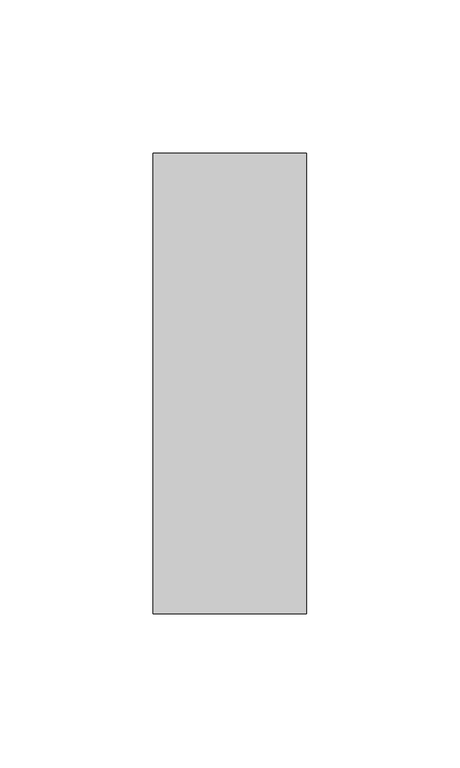
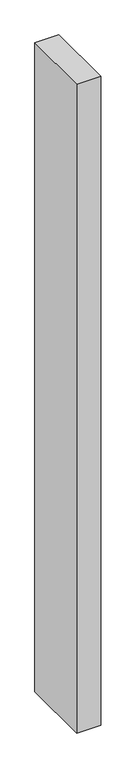
"""IFC4 building model written with IfcOpenShell, lengths in millimetres: member geometry."""

import ifcopenshell
import ifcopenshell.guid

model = None  # the IFC model being written
_history = None  # IfcOwnerHistory: only IFC2X3 demands one
_inside = {}  # id of a spatial element -> (the spatial element, [elements in it])
_under = {}  # id of a project, library or spatial element -> (it, [spatial elements below it])
_declared = {}  # id of a project -> (the project, [libraries it declares])
_typed = {}  # id of a type object -> (the type object, [elements of that type])
_made_of = {}  # id of a material, layer set ... -> (it, [elements and type objects made of it])


def new_model(schema):
    """Start an empty IFC model of exactly this schema.

    Asked for "IFC4X3", IfcOpenShell would pick the latest addendum, in which some entities
    have other attributes; the version numbers below select the first issue.
    IFC2X3 requires an IfcOwnerHistory on every rooted entity: one is made here for all.
    """
    global model, _history
    if schema == "IFC4X3":
        model = ifcopenshell.file(schema_version=(4, 3, 0, 0))
    else:
        model = ifcopenshell.file(schema=schema)
    _inside.clear()
    _under.clear()
    _declared.clear()
    _typed.clear()
    _made_of.clear()
    _history = None
    if model.schema == "IFC2X3":
        org = make("IfcOrganization", Name="unknown")
        user = make(
            "IfcPersonAndOrganization",
            ThePerson=make("IfcPerson", FamilyName="unknown"),
            TheOrganization=org,
        )
        app = make(
            "IfcApplication",
            ApplicationDeveloper=org,
            Version="unknown",
            ApplicationFullName="unknown",
            ApplicationIdentifier="unknown",
        )
        _history = make(
            "IfcOwnerHistory",
            OwningUser=user,
            OwningApplication=app,
            ChangeAction="ADDED",
            CreationDate=0,
        )
    return model


def make(cls, **values):
    """One entity of the class cls with the attributes given. An attribute that is None is left unset."""
    return model.create_entity(
        cls, **{name: value for name, value in values.items() if value is not None}
    )


def rooted(cls, **values):
    """An entity with a GlobalId (a new one), such as an element, a storey or a relation."""
    return make(cls, GlobalId=ifcopenshell.guid.new(), OwnerHistory=_history, **values)


def si_unit(unit_type, name, prefix=None):
    """IfcSIUnit, for example si_unit("LENGTHUNIT", "METRE", prefix="MILLI")."""
    return make("IfcSIUnit", UnitType=unit_type, Prefix=prefix, Name=name)


def assignment(units):
    """IfcUnitAssignment: the units of a project."""
    return None if units is None else make("IfcUnitAssignment", Units=units)


def point(xyz):
    """IfcCartesianPoint."""
    return None if xyz is None else make("IfcCartesianPoint", Coordinates=xyz)


def direction(xyz):
    """IfcDirection."""
    return None if xyz is None else make("IfcDirection", DirectionRatios=xyz)


def frame(location, z_axis=None, x_axis=None):
    """IfcAxis2Placement3D, a coordinate frame: its origin and axes. An axis left out is left unset."""
    return make(
        "IfcAxis2Placement3D",
        Location=point(location),
        Axis=direction(z_axis),
        RefDirection=direction(x_axis),
    )


def origin():
    """The frame at (0, 0, 0) with its axes left unset."""
    return frame((0.0, 0.0, 0.0))


def place(relative_to, where):
    """IfcLocalPlacement: puts the frame where relative to a parent placement (None: the world)."""
    return make(
        "IfcLocalPlacement", PlacementRelTo=relative_to, RelativePlacement=where
    )


def context(
    kind, dimensions, precision=None, world=None, true_north=None, identifier=None
):
    """IfcGeometricRepresentationContext, for example the 3D "Model" context."""
    return make(
        "IfcGeometricRepresentationContext",
        ContextIdentifier=identifier,
        ContextType=kind,
        CoordinateSpaceDimension=dimensions,
        Precision=precision,
        WorldCoordinateSystem=world,
        TrueNorth=true_north,
    )


def project(units=None, contexts=None):
    """IfcProject with its units and contexts."""
    return rooted(
        "IfcProject",
        Name="project",
        RepresentationContexts=contexts,
        UnitsInContext=assignment(units),
    )


def spatial(cls, under=None, at=None, **own):
    """A site, building, storey or space (cls), placed at a placement, below another one or the project."""
    s = rooted(cls, ObjectPlacement=at, **own)
    if under is not None:
        _under.setdefault(under.id(), (under, []))[1].append(s)
    return s


def polyline(points):
    """IfcPolyline through the points."""
    return make("IfcPolyline", Points=[point(p) for p in points])


def outline(outer, holes=None, kind="AREA"):
    """IfcArbitraryClosedProfileDef: a profile drawn as a closed curve; with holes, ...WithVoids."""
    if holes is None:
        return make("IfcArbitraryClosedProfileDef", ProfileType=kind, OuterCurve=outer)
    return make(
        "IfcArbitraryProfileDefWithVoids",
        ProfileType=kind,
        OuterCurve=outer,
        InnerCurves=holes,
    )


def extrude(swept, where, along, depth):
    """IfcExtrudedAreaSolid: the profile swept, set in the frame where, extruded along a direction by depth."""
    return make(
        "IfcExtrudedAreaSolid",
        SweptArea=swept,
        Position=where,
        ExtrudedDirection=direction(along),
        Depth=depth,
    )


def shape(context_of_items, identifier, shape_type, items):
    """IfcShapeRepresentation: the items that make up one representation, for example the "Body"."""
    return make(
        "IfcShapeRepresentation",
        ContextOfItems=context_of_items,
        RepresentationIdentifier=identifier,
        RepresentationType=shape_type,
        Items=items,
    )


def source(mapping_origin, context_of_items, identifier, shape_type, items):
    """IfcRepresentationMap: a shape defined once, which mapped items show again and again."""
    return make(
        "IfcRepresentationMap",
        MappingOrigin=mapping_origin,
        MappedRepresentation=shape(context_of_items, identifier, shape_type, items),
    )


def transform(
    local_origin,
    x_axis=None,
    y_axis=None,
    z_axis=None,
    scale=None,
    scale2=None,
    scale3=None,
    uniform=True,
):
    """IfcCartesianTransformationOperator3D, or its non-uniform kind. x_axis, y_axis, z_axis: its Axis1, 2, 3."""
    if uniform:
        return make(
            "IfcCartesianTransformationOperator3D",
            Axis1=direction(x_axis),
            Axis2=direction(y_axis),
            LocalOrigin=point(local_origin),
            Scale=scale,
            Axis3=direction(z_axis),
        )
    return make(
        "IfcCartesianTransformationOperator3DnonUniform",
        Axis1=direction(x_axis),
        Axis2=direction(y_axis),
        LocalOrigin=point(local_origin),
        Scale=scale,
        Axis3=direction(z_axis),
        Scale2=scale2,
        Scale3=scale3,
    )


def mapped(mapping_source, mapping_target):
    """IfcMappedItem: shows the shape of a source again, moved by a transform."""
    return make(
        "IfcMappedItem", MappingSource=mapping_source, MappingTarget=mapping_target
    )


def made_of(thing, what):
    """Note that an element or type object is made of a material, layer set ...; save() writes the relation."""
    if what is not None:
        _made_of.setdefault(what.id(), (what, []))[1].append(thing)
    return thing


def element(
    cls,
    number,
    at=None,
    inside=None,
    cuts=None,
    type_object=None,
    material=None,
    context=None,
    identifier="Body",
    shape_type=None,
    held_by="IfcProductDefinitionShape",
    body=None,
    shapes=None,
    **own,
):
    """One element of the class cls, such as IfcWall. Its Tag is "e" and its number.

    at: its placement. inside: the storey or other place that contains it. cuts: it is an
    opening in that element (IfcRelVoidsElement). A single representation is given by context,
    identifier, shape_type and body (its items); several are given by shapes. held_by: the class
    of the entity that holds the representations. save() writes the other relations.
    """
    e = rooted(cls, Tag="e%d" % number, ObjectPlacement=at, **own)
    if body is not None:
        shapes = [shape(context, identifier, shape_type, body)]
    if shapes is not None:
        e.Representation = make(held_by, Representations=shapes)
    if inside is not None:
        _inside.setdefault(inside.id(), (inside, []))[1].append(e)
    if cuts is not None:
        rooted(
            "IfcRelVoidsElement", RelatingBuildingElement=cuts, RelatedOpeningElement=e
        )
    if type_object is not None:
        _typed.setdefault(type_object.id(), (type_object, []))[1].append(e)
    return made_of(e, material)


def aggregate(whole, parts):
    """IfcRelAggregates: a whole, such as a stair, and the parts it consists of."""
    return rooted("IfcRelAggregates", RelatingObject=whole, RelatedObjects=parts)


def save(model, path):
    """Write the relations noted so far, then the file.

    IfcRelAggregates (storeys below a building ...), IfcRelContainedInSpatialStructure (elements
    in a storey), IfcRelDefinesByType, IfcRelAssociatesMaterial and IfcRelDeclares: one each for
    every whole, place, type object, material and project.
    """
    for whole, parts in _under.values():
        aggregate(whole, parts)
    for where, things in _inside.values():
        rooted(
            "IfcRelContainedInSpatialStructure",
            RelatedElements=things,
            RelatingStructure=where,
        )
    for kind, things in _typed.values():
        rooted("IfcRelDefinesByType", RelatedObjects=things, RelatingType=kind)
    for what, things in _made_of.values():
        rooted("IfcRelAssociatesMaterial", RelatedObjects=things, RelatingMaterial=what)
    for by, libraries in _declared.values():
        rooted("IfcRelDeclares", RelatingContext=by, RelatedDefinitions=libraries)
    model.write(path)


def member_751a5dca(model_context):
    return source(origin(), model_context, "Body", "SweptSolid", [
        extrude(outline(polyline([(0.0, 75.0), (0.0, -75.0), (-50.0, -75.0), (-50.0, 75.0), (0.0, 75.0)])), frame((0.0, 0.0, -1425.0), z_axis=(0.0, 0.0, 1.0), x_axis=(1.0, 0.0, 0.0)), (0.0, 0.0, 1.0), 1425.0),
    ])


if __name__ == "__main__":
    model = new_model("IFC4")
    model_context = context("Model", 3, world=origin())
    ifc_project = project(units=[si_unit("LENGTHUNIT", "METRE", prefix="MILLI")], contexts=[model_context])
    site = spatial("IfcSite", under=ifc_project)
    building = spatial("IfcBuilding", under=site)
    placement = place(None, origin())
    member_shape = member_751a5dca(model_context)
    element("IfcMember", 1, at=placement, inside=building, context=model_context, shape_type="MappedRepresentation", body=[
        mapped(member_shape, transform((0.0, 0.0, 0.0), x_axis=(1.0, 0.0, 0.0), y_axis=(0.0, 1.0, 0.0), z_axis=(0.0, 0.0, 1.0))),
    ])
    save(model, "model.ifc")
